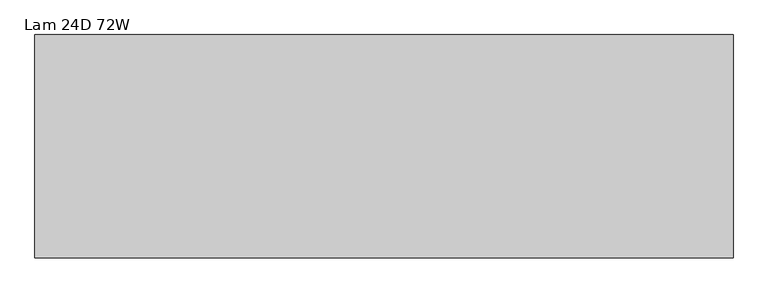
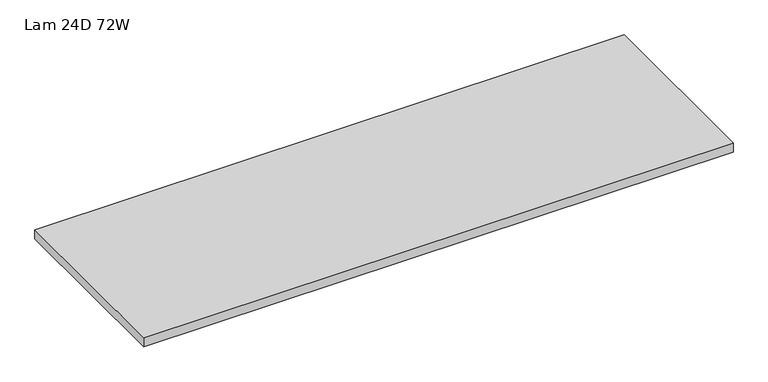
"""IFC4 building model written with IfcOpenShell, lengths in millimetres: furniture geometry, Lam 24D 72W."""

from ifc_helpers import new_model, si_unit, frame, origin, place, context, project, spatial, polyline, outline, extrude, source, transform, mapped, element, save


def lam_24d_72w_2bc73c4e(model_context):
    return source(origin(), model_context, "Body", "SweptSolid", [
        extrude(outline(polyline([(1363.1275996, 174.6914812), (-462.6244004, 174.6914812), (-462.6244004, 758.8914812), (1363.1275996, 758.8914812), (1363.1275996, 174.6914812)])), frame((0.0, 0.0, 706.7296), z_axis=(0.0, 0.0, 1.0), x_axis=(1.0, 0.0, 0.0)), (0.0, 0.0, 1.0), 29.8704),
    ])


if __name__ == "__main__":
    model = new_model("IFC4")
    model_context = context("Model", 3, world=origin())
    ifc_project = project(units=[si_unit("LENGTHUNIT", "METRE", prefix="MILLI")], contexts=[model_context])
    site = spatial("IfcSite", under=ifc_project)
    building = spatial("IfcBuilding", under=site)
    placement = place(None, origin())
    lam_24d_72w_shape = lam_24d_72w_2bc73c4e(model_context)
    element("IfcFurniture", 1, ObjectType="Lam 24D 72W", at=placement, inside=building, context=model_context, shape_type="MappedRepresentation", body=[
        mapped(lam_24d_72w_shape, transform((0.0, 0.0, 0.0), x_axis=(1.0, 0.0, 0.0), y_axis=(0.0, 1.0, 0.0), z_axis=(0.0, 0.0, 1.0))),
    ])
    save(model, "model.ifc")
